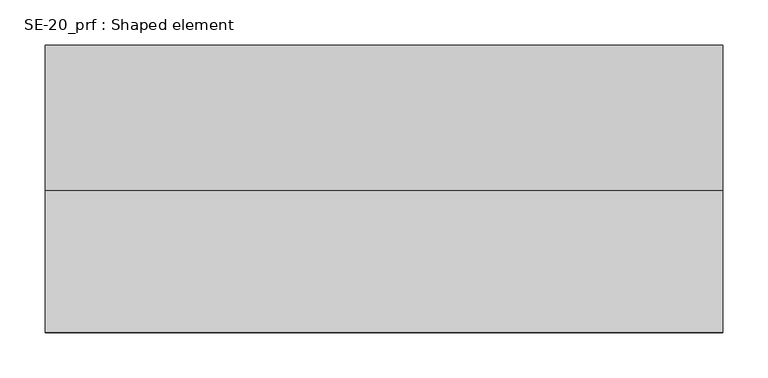
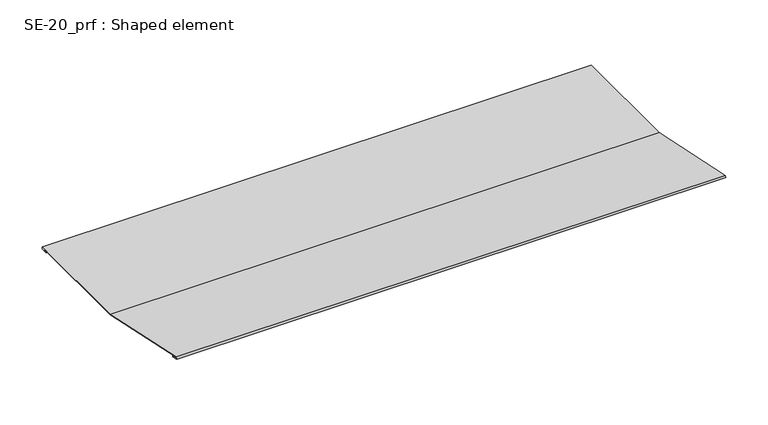
"""IFC4 building model written with IfcOpenShell, lengths in millimetres: proxy geometry, SE-20_prf : Shaped element."""

from ifc_helpers import new_model, si_unit, frame, origin, place, context, project, spatial, polyline, outline, extrude, source, transform, mapped, element, save


def se_20_prf_shaped_element_50f1a40c(model_context):
    return source(origin(), model_context, "Body", "SweptSolid", [
        extrude(outline(polyline([(161.617653, 5.0), (161.617653, 2.0), (151.617653, 2.0), (151.617653, 3.0), (160.617653, 3.0), (160.617653, 4.0), (0.4204169, 4.0), (-155.207859, 37.0798112), (-155.4157707, 36.1016636), (-146.6124423, 34.2304584), (-146.820354, 33.2523108), (-156.60183, 35.3314277), (-155.9780949, 38.2658705), (0.5255212, 5.0), (161.617653, 5.0)])), frame((0.0, 0.0, 0.0), z_axis=(1.0, 0.0, 0.0), x_axis=(0.0, 1.0, 0.0)), (0.0, 0.0, 1.0), 750.0),
    ])


if __name__ == "__main__":
    model = new_model("IFC4")
    model_context = context("Model", 3, world=origin())
    ifc_project = project(units=[si_unit("LENGTHUNIT", "METRE", prefix="MILLI")], contexts=[model_context])
    site = spatial("IfcSite", under=ifc_project)
    building = spatial("IfcBuilding", under=site)
    placement = place(None, origin())
    se_20_prf_shaped_element_shape = se_20_prf_shaped_element_50f1a40c(model_context)
    element("IfcBuildingElementProxy", 1, Name="SE-20_prf : Shaped element", ObjectType="SE-20_prf : Shaped element", at=placement, inside=building, context=model_context, shape_type="MappedRepresentation", body=[
        mapped(se_20_prf_shaped_element_shape, transform((0.0, 0.0, 0.0), x_axis=(1.0, 0.0, 0.0), y_axis=(0.0, 1.0, 0.0), z_axis=(0.0, 0.0, 1.0))),
    ])
    save(model, "model.ifc")
